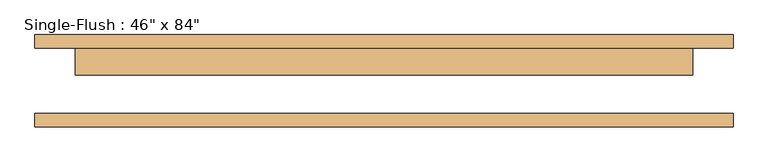
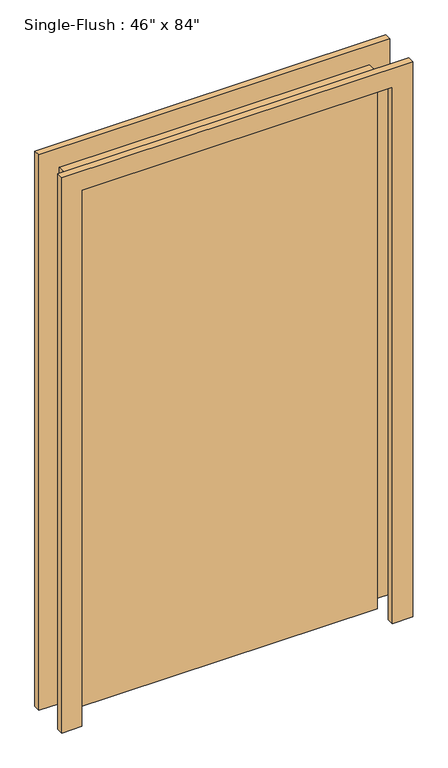
"""IFC4 building model written with IfcOpenShell, lengths in millimetres: door geometry."""

from ifc_helpers import new_model, si_unit, frame, origin, origin_with_axes, place, context, project, spatial, polyline, outline, extrude, source, transform, mapped, element, save


def door_844fbe7a(model_context):
    return source(origin(), model_context, "Body", "SweptSolid", [
        extrude(outline(polyline([(2209.8, -660.4), (0.0, -660.4), (0.0, -584.2), (2133.6, -584.2), (2133.6, 584.2), (0.0, 584.2), (0.0, 660.4), (2209.8, 660.4), (2209.8, -660.4)])), frame((0.0, 61.9125, 0.0), z_axis=(0.0, 1.0, 0.0), x_axis=(0.0, 0.0, 1.0)), (0.0, 0.0, 1.0), 25.4),
        extrude(outline(polyline([(2209.8, 660.4), (2209.8, -660.4), (0.0, -660.4), (0.0, -584.2), (2133.6, -584.2), (2133.6, 584.2), (0.0, 584.2), (0.0, 660.4), (2209.8, 660.4)])), frame((0.0, -87.3125, 0.0), z_axis=(0.0, 1.0, 0.0), x_axis=(0.0, 0.0, 1.0)), (0.0, 0.0, 1.0), 25.4),
        extrude(outline(polyline([(584.2, 11.1125), (-584.2, 11.1125), (-584.2, 61.9125), (584.2, 61.9125), (584.2, 11.1125)])), origin_with_axes(), (0.0, 0.0, 1.0), 2133.6),
    ])


if __name__ == "__main__":
    model = new_model("IFC4")
    model_context = context("Model", 3, world=origin())
    ifc_project = project(units=[si_unit("LENGTHUNIT", "METRE", prefix="MILLI")], contexts=[model_context])
    site = spatial("IfcSite", under=ifc_project)
    building = spatial("IfcBuilding", under=site)
    placement = place(None, origin())
    door_shape = door_844fbe7a(model_context)
    element("IfcDoor", 1, ObjectType="Single-Flush : 46\" x 84\"", at=placement, inside=building, context=model_context, shape_type="MappedRepresentation", body=[
        mapped(door_shape, transform((0.0, 0.0, 0.0), x_axis=(1.0, 0.0, 0.0), y_axis=(0.0, 1.0, 0.0), z_axis=(0.0, 0.0, 1.0))),
    ])
    save(model, "model.ifc")
